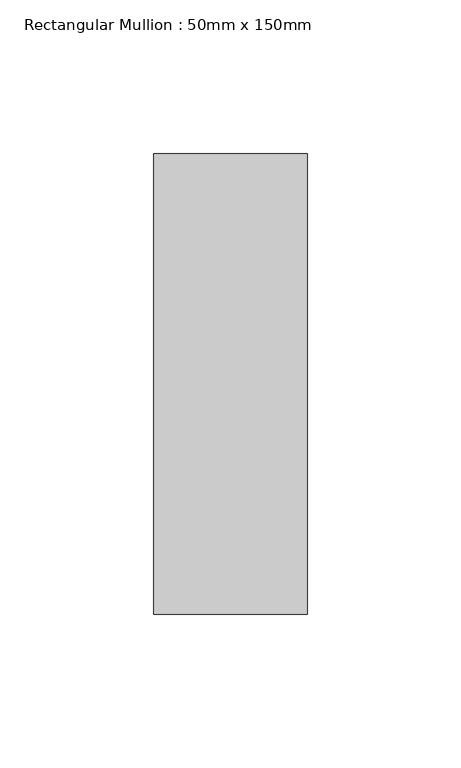
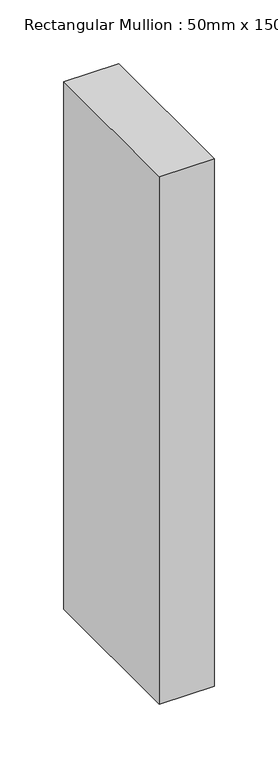
"""IFC4 building model written with IfcOpenShell, lengths in millimetres: member geometry, Rectangular Mullion : 50mm x 150mm."""

import ifcopenshell
import ifcopenshell.guid

model = None  # the IFC model being written
_history = None  # IfcOwnerHistory: only IFC2X3 demands one
_inside = {}  # id of a spatial element -> (the spatial element, [elements in it])
_under = {}  # id of a project, library or spatial element -> (it, [spatial elements below it])
_declared = {}  # id of a project -> (the project, [libraries it declares])
_typed = {}  # id of a type object -> (the type object, [elements of that type])
_made_of = {}  # id of a material, layer set ... -> (it, [elements and type objects made of it])


def new_model(schema):
    """Start an empty IFC model of exactly this schema.

    Asked for "IFC4X3", IfcOpenShell would pick the latest addendum, in which some entities
    have other attributes; the version numbers below select the first issue.
    IFC2X3 requires an IfcOwnerHistory on every rooted entity: one is made here for all.
    """
    global model, _history
    if schema == "IFC4X3":
        model = ifcopenshell.file(schema_version=(4, 3, 0, 0))
    else:
        model = ifcopenshell.file(schema=schema)
    _inside.clear()
    _under.clear()
    _declared.clear()
    _typed.clear()
    _made_of.clear()
    _history = None
    if model.schema == "IFC2X3":
        org = make("IfcOrganization", Name="unknown")
        user = make(
            "IfcPersonAndOrganization",
            ThePerson=make("IfcPerson", FamilyName="unknown"),
            TheOrganization=org,
        )
        app = make(
            "IfcApplication",
            ApplicationDeveloper=org,
            Version="unknown",
            ApplicationFullName="unknown",
            ApplicationIdentifier="unknown",
        )
        _history = make(
            "IfcOwnerHistory",
            OwningUser=user,
            OwningApplication=app,
            ChangeAction="ADDED",
            CreationDate=0,
        )
    return model


def make(cls, **values):
    """One entity of the class cls with the attributes given. An attribute that is None is left unset."""
    return model.create_entity(
        cls, **{name: value for name, value in values.items() if value is not None}
    )


def rooted(cls, **values):
    """An entity with a GlobalId (a new one), such as an element, a storey or a relation."""
    return make(cls, GlobalId=ifcopenshell.guid.new(), OwnerHistory=_history, **values)


def si_unit(unit_type, name, prefix=None):
    """IfcSIUnit, for example si_unit("LENGTHUNIT", "METRE", prefix="MILLI")."""
    return make("IfcSIUnit", UnitType=unit_type, Prefix=prefix, Name=name)


def assignment(units):
    """IfcUnitAssignment: the units of a project."""
    return None if units is None else make("IfcUnitAssignment", Units=units)


def point(xyz):
    """IfcCartesianPoint."""
    return None if xyz is None else make("IfcCartesianPoint", Coordinates=xyz)


def direction(xyz):
    """IfcDirection."""
    return None if xyz is None else make("IfcDirection", DirectionRatios=xyz)


def frame(location, z_axis=None, x_axis=None):
    """IfcAxis2Placement3D, a coordinate frame: its origin and axes. An axis left out is left unset."""
    return make(
        "IfcAxis2Placement3D",
        Location=point(location),
        Axis=direction(z_axis),
        RefDirection=direction(x_axis),
    )


def origin():
    """The frame at (0, 0, 0) with its axes left unset."""
    return frame((0.0, 0.0, 0.0))


def place(relative_to, where):
    """IfcLocalPlacement: puts the frame where relative to a parent placement (None: the world)."""
    return make(
        "IfcLocalPlacement", PlacementRelTo=relative_to, RelativePlacement=where
    )


def context(
    kind, dimensions, precision=None, world=None, true_north=None, identifier=None
):
    """IfcGeometricRepresentationContext, for example the 3D "Model" context."""
    return make(
        "IfcGeometricRepresentationContext",
        ContextIdentifier=identifier,
        ContextType=kind,
        CoordinateSpaceDimension=dimensions,
        Precision=precision,
        WorldCoordinateSystem=world,
        TrueNorth=true_north,
    )


def project(units=None, contexts=None):
    """IfcProject with its units and contexts."""
    return rooted(
        "IfcProject",
        Name="project",
        RepresentationContexts=contexts,
        UnitsInContext=assignment(units),
    )


def spatial(cls, under=None, at=None, **own):
    """A site, building, storey or space (cls), placed at a placement, below another one or the project."""
    s = rooted(cls, ObjectPlacement=at, **own)
    if under is not None:
        _under.setdefault(under.id(), (under, []))[1].append(s)
    return s


def polyline(points):
    """IfcPolyline through the points."""
    return make("IfcPolyline", Points=[point(p) for p in points])


def outline(outer, holes=None, kind="AREA"):
    """IfcArbitraryClosedProfileDef: a profile drawn as a closed curve; with holes, ...WithVoids."""
    if holes is None:
        return make("IfcArbitraryClosedProfileDef", ProfileType=kind, OuterCurve=outer)
    return make(
        "IfcArbitraryProfileDefWithVoids",
        ProfileType=kind,
        OuterCurve=outer,
        InnerCurves=holes,
    )


def extrude(swept, where, along, depth):
    """IfcExtrudedAreaSolid: the profile swept, set in the frame where, extruded along a direction by depth."""
    return make(
        "IfcExtrudedAreaSolid",
        SweptArea=swept,
        Position=where,
        ExtrudedDirection=direction(along),
        Depth=depth,
    )


def shape(context_of_items, identifier, shape_type, items):
    """IfcShapeRepresentation: the items that make up one representation, for example the "Body"."""
    return make(
        "IfcShapeRepresentation",
        ContextOfItems=context_of_items,
        RepresentationIdentifier=identifier,
        RepresentationType=shape_type,
        Items=items,
    )


def source(mapping_origin, context_of_items, identifier, shape_type, items):
    """IfcRepresentationMap: a shape defined once, which mapped items show again and again."""
    return make(
        "IfcRepresentationMap",
        MappingOrigin=mapping_origin,
        MappedRepresentation=shape(context_of_items, identifier, shape_type, items),
    )


def transform(
    local_origin,
    x_axis=None,
    y_axis=None,
    z_axis=None,
    scale=None,
    scale2=None,
    scale3=None,
    uniform=True,
):
    """IfcCartesianTransformationOperator3D, or its non-uniform kind. x_axis, y_axis, z_axis: its Axis1, 2, 3."""
    if uniform:
        return make(
            "IfcCartesianTransformationOperator3D",
            Axis1=direction(x_axis),
            Axis2=direction(y_axis),
            LocalOrigin=point(local_origin),
            Scale=scale,
            Axis3=direction(z_axis),
        )
    return make(
        "IfcCartesianTransformationOperator3DnonUniform",
        Axis1=direction(x_axis),
        Axis2=direction(y_axis),
        LocalOrigin=point(local_origin),
        Scale=scale,
        Axis3=direction(z_axis),
        Scale2=scale2,
        Scale3=scale3,
    )


def mapped(mapping_source, mapping_target):
    """IfcMappedItem: shows the shape of a source again, moved by a transform."""
    return make(
        "IfcMappedItem", MappingSource=mapping_source, MappingTarget=mapping_target
    )


def made_of(thing, what):
    """Note that an element or type object is made of a material, layer set ...; save() writes the relation."""
    if what is not None:
        _made_of.setdefault(what.id(), (what, []))[1].append(thing)
    return thing


def element(
    cls,
    number,
    at=None,
    inside=None,
    cuts=None,
    type_object=None,
    material=None,
    context=None,
    identifier="Body",
    shape_type=None,
    held_by="IfcProductDefinitionShape",
    body=None,
    shapes=None,
    **own,
):
    """One element of the class cls, such as IfcWall. Its Tag is "e" and its number.

    at: its placement. inside: the storey or other place that contains it. cuts: it is an
    opening in that element (IfcRelVoidsElement). A single representation is given by context,
    identifier, shape_type and body (its items); several are given by shapes. held_by: the class
    of the entity that holds the representations. save() writes the other relations.
    """
    e = rooted(cls, Tag="e%d" % number, ObjectPlacement=at, **own)
    if body is not None:
        shapes = [shape(context, identifier, shape_type, body)]
    if shapes is not None:
        e.Representation = make(held_by, Representations=shapes)
    if inside is not None:
        _inside.setdefault(inside.id(), (inside, []))[1].append(e)
    if cuts is not None:
        rooted(
            "IfcRelVoidsElement", RelatingBuildingElement=cuts, RelatedOpeningElement=e
        )
    if type_object is not None:
        _typed.setdefault(type_object.id(), (type_object, []))[1].append(e)
    return made_of(e, material)


def aggregate(whole, parts):
    """IfcRelAggregates: a whole, such as a stair, and the parts it consists of."""
    return rooted("IfcRelAggregates", RelatingObject=whole, RelatedObjects=parts)


def save(model, path):
    """Write the relations noted so far, then the file.

    IfcRelAggregates (storeys below a building ...), IfcRelContainedInSpatialStructure (elements
    in a storey), IfcRelDefinesByType, IfcRelAssociatesMaterial and IfcRelDeclares: one each for
    every whole, place, type object, material and project.
    """
    for whole, parts in _under.values():
        aggregate(whole, parts)
    for where, things in _inside.values():
        rooted(
            "IfcRelContainedInSpatialStructure",
            RelatedElements=things,
            RelatingStructure=where,
        )
    for kind, things in _typed.values():
        rooted("IfcRelDefinesByType", RelatedObjects=things, RelatingType=kind)
    for what, things in _made_of.values():
        rooted("IfcRelAssociatesMaterial", RelatedObjects=things, RelatingMaterial=what)
    for by, libraries in _declared.values():
        rooted("IfcRelDeclares", RelatingContext=by, RelatedDefinitions=libraries)
    model.write(path)


def rectangular_mullion_50mm_x_150mm_b8d1cb55(model_context):
    return source(origin(), model_context, "Body", "SweptSolid", [
        extrude(outline(polyline([(25.0, 75.0), (25.0, -75.0), (-25.0, -75.0), (-25.0, 75.0), (25.0, 75.0)])), frame((0.0, 0.0, -505.7894737), z_axis=(0.0, 0.0, 1.0), x_axis=(1.0, 0.0, 0.0)), (0.0, 0.0, 1.0), 505.7894737),
    ])


if __name__ == "__main__":
    model = new_model("IFC4")
    model_context = context("Model", 3, world=origin())
    ifc_project = project(units=[si_unit("LENGTHUNIT", "METRE", prefix="MILLI")], contexts=[model_context])
    site = spatial("IfcSite", under=ifc_project)
    building = spatial("IfcBuilding", under=site)
    placement = place(None, origin())
    rectangular_mullion_50mm_x_150mm_shape = rectangular_mullion_50mm_x_150mm_b8d1cb55(model_context)
    element("IfcMember", 1, ObjectType="Rectangular Mullion : 50mm x 150mm", at=placement, inside=building, context=model_context, shape_type="MappedRepresentation", body=[
        mapped(rectangular_mullion_50mm_x_150mm_shape, transform((0.0, 0.0, 0.0), x_axis=(1.0, 0.0, 0.0), y_axis=(0.0, 1.0, 0.0), z_axis=(0.0, 0.0, 1.0))),
    ])
    save(model, "model.ifc")
